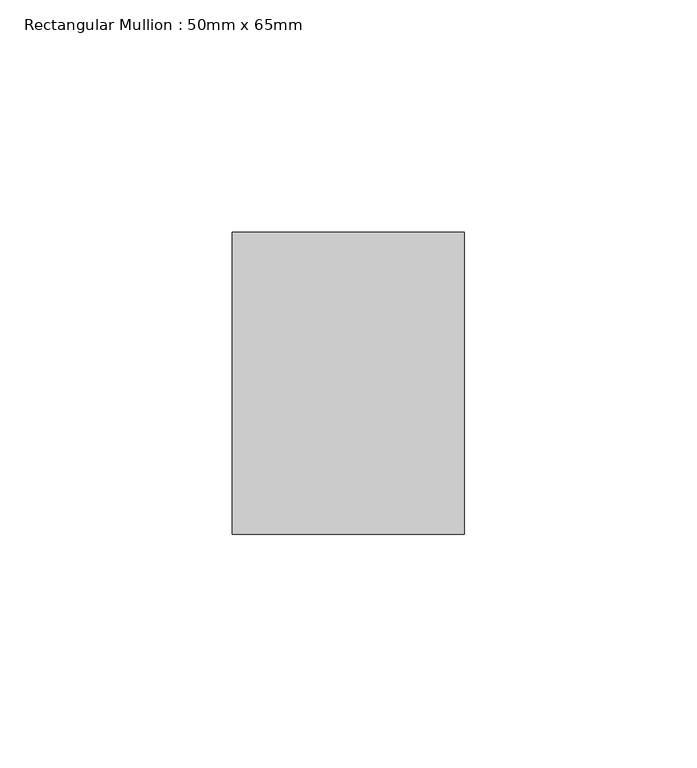
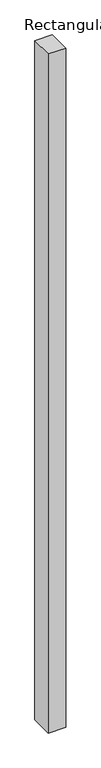
"""IFC4 building model written with IfcOpenShell, lengths in millimetres: member geometry, Rectangular Mullion : 50mm x 65mm."""

from ifc_helpers import new_model, si_unit, frame, origin, place, context, project, spatial, polyline, outline, extrude, source, transform, mapped, element, save


def rectangular_mullion_50mm_x_65mm_6547e607(model_context):
    return source(origin(), model_context, "Body", "SweptSolid", [
        extrude(outline(polyline([(25.0, 32.5), (25.0, -32.5), (-25.0, -32.5), (-25.0, 32.5), (25.0, 32.5)])), frame((0.0, 0.0, -2042.039393), z_axis=(0.0, 0.0, 1.0), x_axis=(1.0, 0.0, 0.0)), (0.0, 0.0, 1.0), 2042.039393),
    ])


if __name__ == "__main__":
    model = new_model("IFC4")
    model_context = context("Model", 3, world=origin())
    ifc_project = project(units=[si_unit("LENGTHUNIT", "METRE", prefix="MILLI")], contexts=[model_context])
    site = spatial("IfcSite", under=ifc_project)
    building = spatial("IfcBuilding", under=site)
    placement = place(None, origin())
    rectangular_mullion_50mm_x_65mm_shape = rectangular_mullion_50mm_x_65mm_6547e607(model_context)
    element("IfcMember", 1, ObjectType="Rectangular Mullion : 50mm x 65mm", at=placement, inside=building, context=model_context, shape_type="MappedRepresentation", body=[
        mapped(rectangular_mullion_50mm_x_65mm_shape, transform((0.0, 0.0, 0.0), x_axis=(1.0, 0.0, 0.0), y_axis=(0.0, 1.0, 0.0), z_axis=(0.0, 0.0, 1.0))),
    ])
    save(model, "model.ifc")
